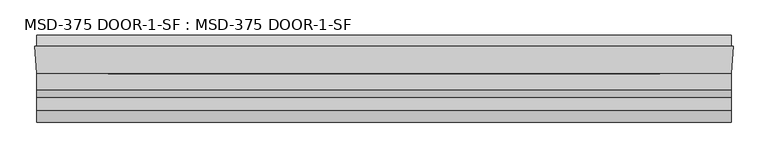
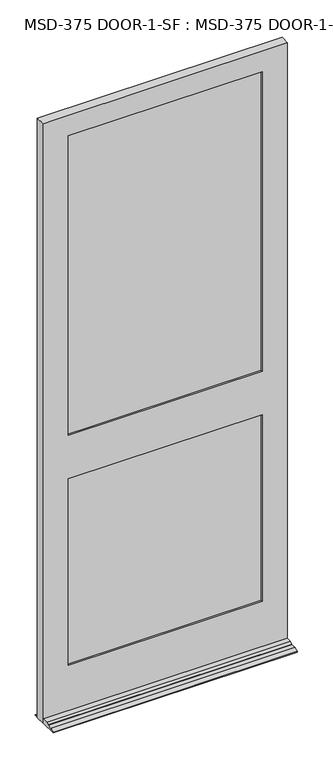
"""IFC4 building model written with IfcOpenShell, lengths in millimetres: plate geometry, MSD-375 DOOR-1-SF : MSD-375 DOOR-1-SF."""

from ifc_helpers import new_model, si_unit, frame, origin, place, context, project, spatial, polyline, outline, extrude, faceted_brep, source, transform, mapped, element, save


def msd_375_door_1_sf_msd_375_door_1_sf_fb38b606(model_context):
    return source(origin(), model_context, "Body", "SolidModel", [
        faceted_brep([(571.4354684, 1.8752528, 0.0), (568.6668684, -42.5747472, 0.0), (568.6668684, -121.9497472, 0.0), (-575.0815356, -121.9497472, 0.0), (-575.0815356, -42.5747472, 0.0), (-577.8501356, 1.8752528, 0.0), (-575.0815356, 1.8752528, 0.0), (-575.0815356, 20.9252528, 0.0), (568.6668684, 20.9252528, 0.0), (568.6668684, 1.8752528, 0.0), (568.6668684, -42.5747472, 21.4376), (568.6668684, -68.4446472, 21.4376), (568.6668684, -80.8652472, 14.2748), (568.6668684, -80.8652472, 12.7), (568.6668684, -102.8997472, 12.7), (568.6668684, -121.9497472, 3.175), (568.6668684, 20.9252528, 3.175), (568.6668684, 1.8752528, 12.7), (-575.0815356, 1.8752528, 12.7), (-575.0815356, 20.9252528, 3.175), (-575.0815356, -121.9497472, 3.175), (-575.0815356, -102.8997472, 12.7), (-575.0815356, -80.8652472, 12.7), (-575.0815356, -80.8652472, 14.2748), (-575.0815356, -68.4446472, 21.4376), (-575.0815356, -42.5747472, 21.4376), (571.4354684, 1.8752528, 2971.7168046), (-577.8501356, 1.8752528, 2971.7168046), (-457.2001356, 1.8752528, 1169.9748), (-457.2001356, 1.8752528, 246.0625), (450.7854684, 1.8752528, 246.0625), (450.7854684, 1.8752528, 1169.9748), (450.7854684, 1.8752528, 2870.1168046), (-457.2001356, 1.8752528, 2870.1168046), (-457.2001356, 1.8752528, 1385.8748), (450.7854684, 1.8752528, 1385.8748), (450.7854684, -9.7325472, 2870.1168046), (-457.2001356, -9.7325472, 2870.1168046), (470.6228684, -9.7325472, 1189.8249), (-477.0375356, -9.7325472, 1189.8249), (-477.0375356, -9.7325472, 226.2251), (470.6228684, -9.7325472, 226.2251), (-457.2001356, -9.7325472, 1169.9748), (450.7854684, -9.7325472, 1169.9748), (450.7854684, -9.7325472, 246.0625), (-457.2001356, -9.7325472, 246.0625), (470.6228684, -9.7325472, 2890.0374), (-477.0375356, -9.7325472, 2890.0374), (-477.0375356, -9.7325472, 1366.0374), (470.6228684, -9.7325472, 1366.0374), (450.7854684, -9.7325472, 1385.8748), (-457.2001356, -9.7325472, 1385.8748), (470.6228684, -35.1325472, 2890.0374), (-477.0375356, -35.1325472, 2890.0374), (-477.0375356, -35.1325472, 1189.8249), (470.6228684, -35.1325472, 1189.8249), (470.6228684, -35.1325472, 226.2251), (-477.0375356, -35.1325472, 226.2251), (450.7854684, -35.1325472, 1169.9748), (-457.2001356, -35.1325472, 1169.9748), (-457.2001356, -35.1325472, 246.0625), (450.7854684, -35.1325472, 246.0625), (470.6228684, -35.1325472, 1366.0374), (-477.0375356, -35.1325472, 1366.0374), (450.7854684, -35.1325472, 2870.1168046), (-457.2001356, -35.1325472, 2870.1168046), (-457.2001356, -35.1325472, 1385.8748), (450.7854684, -35.1325472, 1385.8748), (450.7854684, -42.5747472, 2870.1168046), (-457.2001356, -42.5747472, 2870.1168046), (568.6668684, -42.5747472, 2971.7168046), (-575.0815356, -42.5747472, 2971.7168046), (450.7854684, -42.5747472, 1169.9748), (450.7854684, -42.5747472, 246.0625), (-457.2001356, -42.5747472, 246.0625), (-457.2001356, -42.5747472, 1169.9748), (450.7854684, -42.5747472, 1385.8748), (-457.2001356, -42.5747472, 1385.8748)], [[[0, 1, 2, 3, 4, 5, 6, 7, 8, 9]], [[10, 11, 12, 13, 14, 15, 2, 1]], [[8, 16, 17, 9]], [[18, 19, 7, 6]], [[3, 20, 21, 22, 23, 24, 25, 4]], [[26, 0, 9, 17, 18, 6, 5, 27], [28, 29, 30, 31], [32, 33, 34, 35]], [[32, 36, 37, 33]], [[38, 39, 40, 41], [42, 43, 44, 45]], [[46, 47, 48, 49], [37, 36, 50, 51]], [[46, 52, 53, 47]], [[54, 55, 56, 57], [58, 59, 60, 61]], [[53, 52, 62, 63], [64, 65, 66, 67]], [[64, 68, 69, 65]], [[70, 71, 25, 10], [72, 73, 74, 75], [69, 68, 76, 77]], [[70, 26, 27, 71]], [[52, 46, 49, 62]], [[56, 55, 38, 41]], [[68, 64, 67, 76]], [[72, 58, 61, 73]], [[26, 70, 10, 1, 0]], [[36, 32, 35, 50]], [[43, 31, 30, 44]], [[25, 71, 27, 5, 4]], [[65, 69, 77, 66]], [[59, 75, 74, 60]], [[40, 39, 54, 57]], [[47, 53, 63, 48]], [[33, 37, 51, 34]], [[28, 42, 45, 29]], [[35, 34, 51, 50]], [[62, 49, 48, 63]], [[67, 66, 77, 76]], [[59, 58, 72, 75]], [[38, 55, 54, 39]], [[28, 31, 43, 42]], [[57, 56, 41, 40]], [[61, 60, 74, 73]], [[11, 10, 25, 24]], [[12, 11, 24, 23]], [[13, 12, 23, 22]], [[14, 13, 22, 21]], [[15, 14, 21, 20]], [[2, 15, 20, 3]], [[16, 8, 7, 19]], [[18, 17, 16, 19]], [[30, 29, 45, 44]]]),
        extrude(outline(polyline([(-477.0375356, -9.7325472), (470.6228684, -9.7325472), (470.6228684, -14.8125472), (-477.0375356, -14.8125472), (-477.0375356, -9.7325472)])), frame((0.0, 0.0, 226.21875), z_axis=(0.0, 0.0, 1.0), x_axis=(1.0, 0.0, 0.0)), (0.0, 0.0, 1.0), 963.60615),
        extrude(outline(polyline([(470.6228684, -24.2105472), (470.6228684, -29.2905472), (-477.0375356, -29.2905472), (-477.0375356, -24.2105472), (470.6228684, -24.2105472)])), frame((0.0, 0.0, 226.21875), z_axis=(0.0, 0.0, 1.0), x_axis=(1.0, 0.0, 0.0)), (0.0, 0.0, 1.0), 963.60615),
        extrude(outline(polyline([(-477.0375356, -30.0525472), (470.6228684, -30.0525472), (470.6228684, -35.1325472), (-477.0375356, -35.1325472), (-477.0375356, -30.0525472)])), frame((0.0, 0.0, 226.21875), z_axis=(0.0, 0.0, 1.0), x_axis=(1.0, 0.0, 0.0)), (0.0, 0.0, 1.0), 963.60615),
        extrude(outline(polyline([(-475.1414158, -9.7325472), (470.0090112, -9.7325472), (470.0090112, -14.8125472), (-475.1414158, -14.8125472), (-475.1414158, -9.7325472)])), frame((0.0, 0.0, 1366.0374), z_axis=(0.0, 0.0, 1.0), x_axis=(1.0, 0.0, 0.0)), (0.0, 0.0, 1.0), 1524.0),
        extrude(outline(polyline([(470.0090112, -24.2105472), (470.0090112, -29.2905472), (-475.1414158, -29.2905472), (-475.1414158, -24.2105472), (470.0090112, -24.2105472)])), frame((0.0, 0.0, 1366.0374), z_axis=(0.0, 0.0, 1.0), x_axis=(1.0, 0.0, 0.0)), (0.0, 0.0, 1.0), 1524.0),
        extrude(outline(polyline([(-475.1414158, -30.0525472), (470.0090112, -30.0525472), (470.0090112, -35.1325472), (-475.1414158, -35.1325472), (-475.1414158, -30.0525472)])), frame((0.0, 0.0, 1366.0374), z_axis=(0.0, 0.0, 1.0), x_axis=(1.0, 0.0, 0.0)), (0.0, 0.0, 1.0), 1524.0),
    ])


if __name__ == "__main__":
    model = new_model("IFC4")
    model_context = context("Model", 3, world=origin())
    ifc_project = project(units=[si_unit("LENGTHUNIT", "METRE", prefix="MILLI")], contexts=[model_context])
    site = spatial("IfcSite", under=ifc_project)
    building = spatial("IfcBuilding", under=site)
    placement = place(None, origin())
    msd_375_door_1_sf_msd_375_door_1_sf_shape = msd_375_door_1_sf_msd_375_door_1_sf_fb38b606(model_context)
    element("IfcPlate", 1, ObjectType="MSD-375 DOOR-1-SF : MSD-375 DOOR-1-SF", at=placement, inside=building, context=model_context, shape_type="MappedRepresentation", body=[
        mapped(msd_375_door_1_sf_msd_375_door_1_sf_shape, transform((0.0, 0.0, 0.0), x_axis=(1.0, 0.0, 0.0), y_axis=(0.0, 1.0, 0.0), z_axis=(0.0, 0.0, 1.0))),
    ])
    save(model, "model.ifc")
